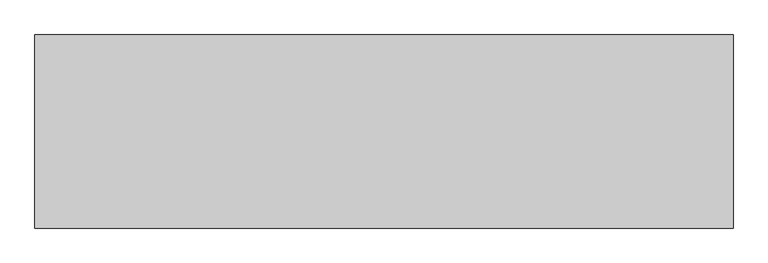
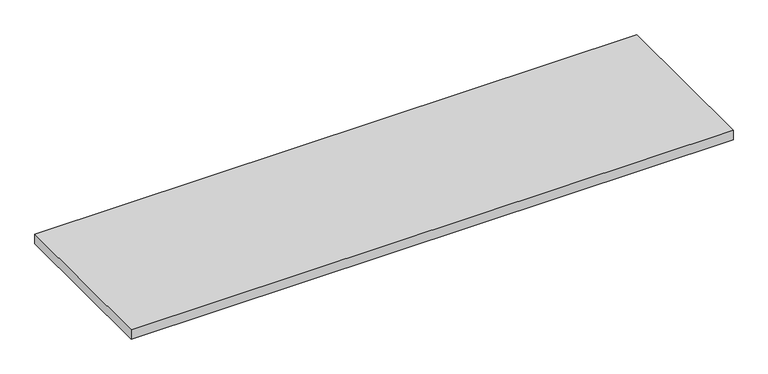
"""IFC4 building model written with IfcOpenShell, lengths in millimetres: furniture geometry."""

from ifc_helpers import new_model, si_unit, frame, origin, place, context, project, spatial, polyline, outline, extrude, source, transform, mapped, element, save


def furniture_a86a528a(model_context):
    return source(origin(), model_context, "Body", "SweptSolid", [
        extrude(outline(polyline([(1065.276, 833.501), (1065.276, 328.549), (-760.476, 328.549), (-760.476, 833.501), (1065.276, 833.501)])), frame((0.0, 0.0, 1589.659), z_axis=(0.0, 0.0, 1.0), x_axis=(1.0, 0.0, 0.0)), (0.0, 0.0, 1.0), 29.591),
    ])


if __name__ == "__main__":
    model = new_model("IFC4")
    model_context = context("Model", 3, world=origin())
    ifc_project = project(units=[si_unit("LENGTHUNIT", "METRE", prefix="MILLI")], contexts=[model_context])
    site = spatial("IfcSite", under=ifc_project)
    building = spatial("IfcBuilding", under=site)
    placement = place(None, origin())
    furniture_shape = furniture_a86a528a(model_context)
    element("IfcFurniture", 1, at=placement, inside=building, context=model_context, shape_type="MappedRepresentation", body=[
        mapped(furniture_shape, transform((0.0, 0.0, 0.0), x_axis=(1.0, 0.0, 0.0), y_axis=(0.0, 1.0, 0.0), z_axis=(0.0, 0.0, 1.0))),
    ])
    save(model, "model.ifc")
